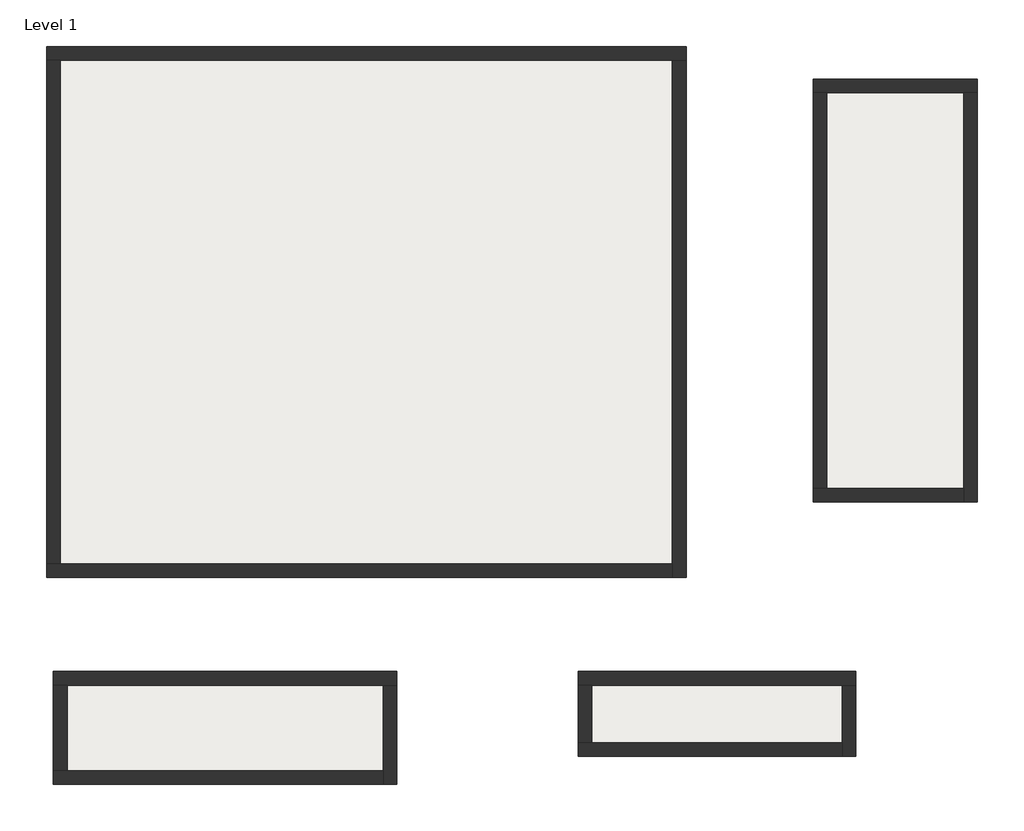
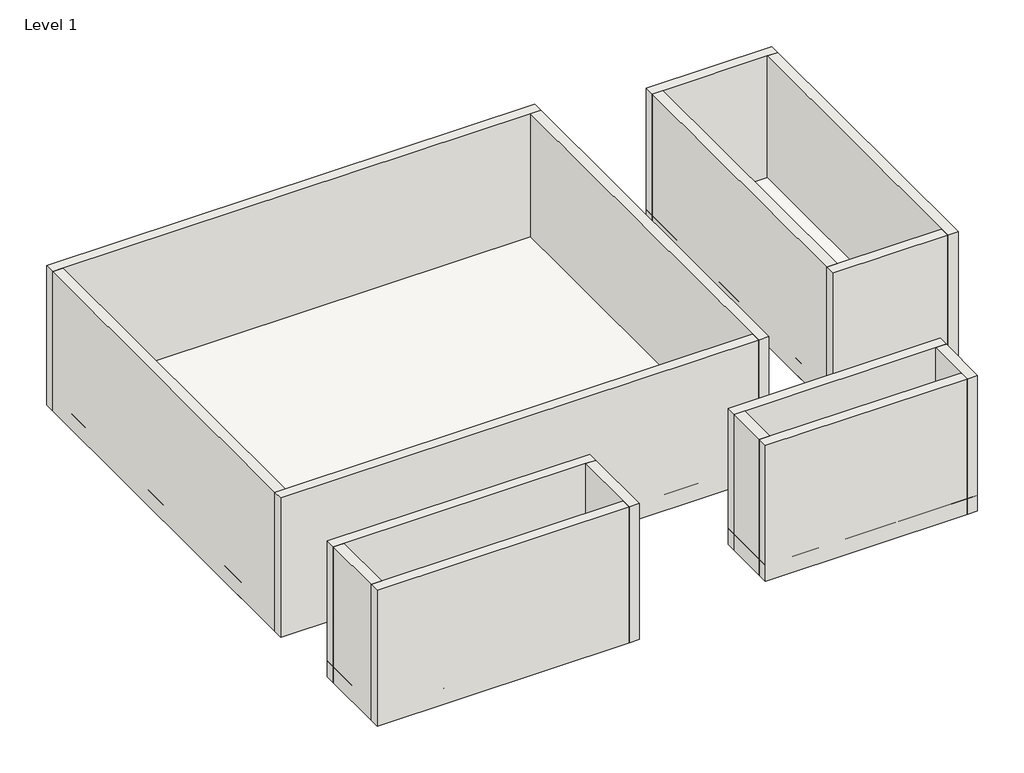
# One storey: 16 walls, 4 slabs.
"""IFC4 building model written with IfcOpenShell, lengths in millimetres."""

from ifc_helpers import new_model, si_unit, frame, origin, place, context, project, spatial, polyline, outline, extrude, faceted_brep, element, save

model = new_model("IFC4")

# Units and contexts
model_context = context("Model", 3, world=origin())
ifc_project = project(units=[si_unit("LENGTHUNIT", "METRE", prefix="MILLI")], contexts=[model_context])

# Site, building, storey
site = spatial("IfcSite", under=ifc_project)
building = spatial("IfcBuilding", under=site)
storey = spatial("IfcBuildingStorey", under=building, Name="Level 1", Elevation=4000.0)

# Slabs
placement = place(None, origin())
element("IfcSlab", 1, ObjectType="Floor-Grnd-Susp_65Scr-80Ins-100Blk-75PC", at=placement, inside=storey, context=model_context, shape_type="SweptSolid", body=[
    extrude(outline(polyline([(-9298.0786109, 6911.844147), (4291.9213891, 6911.844147), (4291.9213891, -4378.155853), (-9298.0786109, -4378.155853), (-9298.0786109, 6911.844147)])), frame((0.0, 0.0, 4000.0), z_axis=(0.0, 0.0, 1.0), x_axis=(1.0, 0.0, 0.0)), (0.0, 0.0, 1.0), 470.0),
])
element("IfcSlab", 2, ObjectType="Floor-Grnd-Susp_65Scr-80Ins-100Blk-75PC", at=placement, inside=storey, context=model_context, shape_type="SweptSolid", body=[
    extrude(outline(polyline([(6993.2871301, 6216.1033554), (10483.2871301, 6216.1033554), (10483.2871301, -2773.8966446), (6993.2871301, -2773.8966446), (6993.2871301, 6216.1033554)])), frame((0.0, 0.0, 4000.0), z_axis=(0.0, 0.0, 1.0), x_axis=(1.0, 0.0, 0.0)), (0.0, 0.0, 1.0), 470.0),
])
element("IfcSlab", 3, ObjectType="Floor-Grnd-Susp_65Scr-80Ins-100Blk-75PC", at=placement, inside=storey, context=model_context, shape_type="SweptSolid", body=[
    extrude(outline(polyline([(-9153.0786109, -6378.155853), (-1853.0786109, -6378.155853), (-1853.0786109, -8778.155853), (-9153.0786109, -8778.155853), (-9153.0786109, -6378.155853)])), frame((0.0, 0.0, 4000.0), z_axis=(0.0, 0.0, 1.0), x_axis=(1.0, 0.0, 0.0)), (0.0, 0.0, 1.0), 470.0),
])
element("IfcSlab", 4, ObjectType="Floor-Grnd-Susp_65Scr-80Ins-100Blk-75PC", at=placement, inside=storey, context=model_context, shape_type="SweptSolid", body=[
    extrude(outline(polyline([(2001.9213891, -6378.155853), (7901.9213891, -6378.155853), (7901.9213891, -8178.155853), (2001.9213891, -8178.155853), (2001.9213891, -6378.155853)])), frame((0.0, 0.0, 4000.0), z_axis=(0.0, 0.0, 1.0), x_axis=(1.0, 0.0, 0.0)), (0.0, 0.0, 1.0), 470.0),
])

# Walls
element("IfcWall", 5, at=placement, inside=storey, context=model_context, shape_type="Brep", body=[
    faceted_brep([(-9298.0786109, 6621.844147, 4000.0), (-9008.0786109, 6621.844147, 4000.0), (4001.9213891, 6621.844147, 4000.0), (4291.9213891, 6621.844147, 4000.0), (4291.9213891, 6621.844147, 8100.0), (4001.9213891, 6621.844147, 8100.0), (-9008.0786109, 6621.844147, 8100.0), (-9298.0786109, 6621.844147, 8100.0), (-9298.0786109, 6911.844147, 4000.0), (-9298.0786109, 6911.844147, 8100.0), (4291.9213891, 6911.844147, 8100.0), (4291.9213891, 6911.844147, 4000.0)], [[[0, 1, 2, 3, 4, 5, 6, 7]], [[8, 9, 10, 11]], [[3, 2, 1, 0, 8, 11]], [[7, 6, 5, 4, 10, 9]], [[4, 3, 11, 10]], [[0, 7, 9, 8]]]),
])
element("IfcWall", 6, at=placement, inside=storey, context=model_context, shape_type="Brep", body=[
    faceted_brep([(4001.9213891, 6621.844147, 4000.0), (4001.9213891, -4088.155853, 4000.0), (4001.9213891, -4378.155853, 4000.0), (4001.9213891, -4378.155853, 8100.0), (4001.9213891, -4088.155853, 8100.0), (4001.9213891, 6621.844147, 8100.0), (4291.9213891, 6621.844147, 4000.0), (4291.9213891, 6621.844147, 8100.0), (4291.9213891, -4378.155853, 8100.0), (4291.9213891, -4378.155853, 4000.0)], [[[0, 1, 2, 3, 4, 5]], [[6, 7, 8, 9]], [[2, 1, 0, 6, 9]], [[5, 4, 3, 8, 7]], [[0, 5, 7, 6]], [[3, 2, 9, 8]]]),
])
element("IfcWall", 7, at=placement, inside=storey, context=model_context, shape_type="Brep", body=[
    faceted_brep([(4001.9213891, -4088.155853, 4000.0), (-9008.0786109, -4088.155853, 4000.0), (-9298.0786109, -4088.155853, 4000.0), (-9298.0786109, -4088.155853, 8100.0), (-9008.0786109, -4088.155853, 8100.0), (4001.9213891, -4088.155853, 8100.0), (4001.9213891, -4378.155853, 4000.0), (4001.9213891, -4378.155853, 8100.0), (-9298.0786109, -4378.155853, 8100.0), (-9298.0786109, -4378.155853, 4000.0)], [[[0, 1, 2, 3, 4, 5]], [[6, 7, 8, 9]], [[2, 1, 0, 6, 9]], [[5, 4, 3, 8, 7]], [[0, 5, 7, 6]], [[3, 2, 9, 8]]]),
])
element("IfcWall", 8, at=placement, inside=storey, context=model_context, shape_type="SweptSolid", body=[
    extrude(outline(polyline([(-9008.0786109, 6621.844147), (-9008.0786109, -4088.155853), (-9298.0786109, -4088.155853), (-9298.0786109, 6621.844147), (-9008.0786109, 6621.844147)])), frame((0.0, 0.0, 4000.0), z_axis=(0.0, 0.0, 1.0), x_axis=(1.0, 0.0, 0.0)), (0.0, 0.0, 1.0), 4100.0),
])
element("IfcWall", 9, at=placement, inside=storey, context=model_context, shape_type="Brep", body=[
    faceted_brep([(6993.2871301, 5926.1033554, 4000.0), (7283.2871301, 5926.1033554, 4000.0), (10193.2871301, 5926.1033554, 4000.0), (10483.2871301, 5926.1033554, 4000.0), (10483.2871301, 5926.1033554, 8050.0), (10193.2871301, 5926.1033554, 8050.0), (7283.2871301, 5926.1033554, 8050.0), (6993.2871301, 5926.1033554, 8050.0), (6993.2871301, 6216.1033554, 4000.0), (6993.2871301, 6216.1033554, 8050.0), (10483.2871301, 6216.1033554, 8050.0), (10483.2871301, 6216.1033554, 4000.0)], [[[0, 1, 2, 3, 4, 5, 6, 7]], [[8, 9, 10, 11]], [[3, 2, 1, 0, 8, 11]], [[7, 6, 5, 4, 10, 9]], [[4, 3, 11, 10]], [[0, 7, 9, 8]]]),
])
element("IfcWall", 10, at=placement, inside=storey, context=model_context, shape_type="Brep", body=[
    faceted_brep([(10193.2871301, 5926.1033554, 4000.0), (10193.2871301, -2483.8966446, 4000.0), (10193.2871301, -2773.8966446, 4000.0), (10193.2871301, -2773.8966446, 8050.0), (10193.2871301, -2483.8966446, 8050.0), (10193.2871301, 5926.1033554, 8050.0), (10483.2871301, 5926.1033554, 4000.0), (10483.2871301, 5926.1033554, 8050.0), (10483.2871301, -2773.8966446, 8050.0), (10483.2871301, -2773.8966446, 4000.0)], [[[0, 1, 2, 3, 4, 5]], [[6, 7, 8, 9]], [[2, 1, 0, 6, 9]], [[5, 4, 3, 8, 7]], [[0, 5, 7, 6]], [[3, 2, 9, 8]]]),
])
element("IfcWall", 11, at=placement, inside=storey, context=model_context, shape_type="Brep", body=[
    faceted_brep([(10193.2871301, -2483.8966446, 4000.0), (7283.2871301, -2483.8966446, 4000.0), (6993.2871301, -2483.8966446, 4000.0), (6993.2871301, -2483.8966446, 8050.0), (7283.2871301, -2483.8966446, 8050.0), (10193.2871301, -2483.8966446, 8050.0), (10193.2871301, -2773.8966446, 4000.0), (10193.2871301, -2773.8966446, 8050.0), (6993.2871301, -2773.8966446, 8050.0), (6993.2871301, -2773.8966446, 4000.0)], [[[0, 1, 2, 3, 4, 5]], [[6, 7, 8, 9]], [[2, 1, 0, 6, 9]], [[5, 4, 3, 8, 7]], [[0, 5, 7, 6]], [[3, 2, 9, 8]]]),
])
element("IfcWall", 12, at=placement, inside=storey, context=model_context, shape_type="SweptSolid", body=[
    extrude(outline(polyline([(7283.2871301, 5926.1033554), (7283.2871301, -2483.8966446), (6993.2871301, -2483.8966446), (6993.2871301, 5926.1033554), (7283.2871301, 5926.1033554)])), frame((0.0, 0.0, 4000.0), z_axis=(0.0, 0.0, 1.0), x_axis=(1.0, 0.0, 0.0)), (0.0, 0.0, 1.0), 4050.0),
])
element("IfcWall", 13, at=placement, inside=storey, context=model_context, shape_type="Brep", body=[
    faceted_brep([(-9153.0786109, -6668.155853, 4000.0), (-8863.0786109, -6668.155853, 4000.0), (-2143.0786109, -6668.155853, 4000.0), (-1853.0786109, -6668.155853, 4000.0), (-1853.0786109, -6668.155853, 8000.0), (-2143.0786109, -6668.155853, 8000.0), (-8863.0786109, -6668.155853, 8000.0), (-9153.0786109, -6668.155853, 8000.0), (-9153.0786109, -6378.155853, 4000.0), (-9153.0786109, -6378.155853, 8000.0), (-1853.0786109, -6378.155853, 8000.0), (-1853.0786109, -6378.155853, 4000.0)], [[[0, 1, 2, 3, 4, 5, 6, 7]], [[8, 9, 10, 11]], [[3, 2, 1, 0, 8, 11]], [[7, 6, 5, 4, 10, 9]], [[4, 3, 11, 10]], [[0, 7, 9, 8]]]),
])
element("IfcWall", 14, at=placement, inside=storey, context=model_context, shape_type="Brep", body=[
    faceted_brep([(-2143.0786109, -6668.155853, 4000.0), (-2143.0786109, -8488.155853, 4000.0), (-2143.0786109, -8778.155853, 4000.0), (-2143.0786109, -8778.155853, 8000.0), (-2143.0786109, -8488.155853, 8000.0), (-2143.0786109, -6668.155853, 8000.0), (-1853.0786109, -6668.155853, 4000.0), (-1853.0786109, -6668.155853, 8000.0), (-1853.0786109, -8778.155853, 8000.0), (-1853.0786109, -8778.155853, 4000.0)], [[[0, 1, 2, 3, 4, 5]], [[6, 7, 8, 9]], [[2, 1, 0, 6, 9]], [[5, 4, 3, 8, 7]], [[0, 5, 7, 6]], [[3, 2, 9, 8]]]),
])
element("IfcWall", 15, at=placement, inside=storey, context=model_context, shape_type="Brep", body=[
    faceted_brep([(-2143.0786109, -8488.155853, 4000.0), (-8863.0786109, -8488.155853, 4000.0), (-9153.0786109, -8488.155853, 4000.0), (-9153.0786109, -8488.155853, 8000.0), (-8863.0786109, -8488.155853, 8000.0), (-2143.0786109, -8488.155853, 8000.0), (-2143.0786109, -8778.155853, 4000.0), (-2143.0786109, -8778.155853, 8000.0), (-9153.0786109, -8778.155853, 8000.0), (-9153.0786109, -8778.155853, 4000.0)], [[[0, 1, 2, 3, 4, 5]], [[6, 7, 8, 9]], [[2, 1, 0, 6, 9]], [[5, 4, 3, 8, 7]], [[0, 5, 7, 6]], [[3, 2, 9, 8]]]),
])
element("IfcWall", 16, at=placement, inside=storey, context=model_context, shape_type="SweptSolid", body=[
    extrude(outline(polyline([(-8863.0786109, -6668.155853), (-8863.0786109, -8488.155853), (-9153.0786109, -8488.155853), (-9153.0786109, -6668.155853), (-8863.0786109, -6668.155853)])), frame((0.0, 0.0, 4000.0), z_axis=(0.0, 0.0, 1.0), x_axis=(1.0, 0.0, 0.0)), (0.0, 0.0, 1.0), 4000.0),
])
element("IfcWall", 17, at=placement, inside=storey, context=model_context, shape_type="Brep", body=[
    faceted_brep([(2001.9213891, -6668.155853, 4000.0), (2291.9213891, -6668.155853, 4000.0), (7611.9213891, -6668.155853, 4000.0), (7901.9213891, -6668.155853, 4000.0), (7901.9213891, -6668.155853, 8000.0), (7611.9213891, -6668.155853, 8000.0), (2291.9213891, -6668.155853, 8000.0), (2001.9213891, -6668.155853, 8000.0), (2001.9213891, -6378.155853, 4000.0), (2001.9213891, -6378.155853, 8000.0), (7901.9213891, -6378.155853, 8000.0), (7901.9213891, -6378.155853, 4000.0)], [[[0, 1, 2, 3, 4, 5, 6, 7]], [[8, 9, 10, 11]], [[3, 2, 1, 0, 8, 11]], [[7, 6, 5, 4, 10, 9]], [[4, 3, 11, 10]], [[0, 7, 9, 8]]]),
])
element("IfcWall", 18, at=placement, inside=storey, context=model_context, shape_type="Brep", body=[
    faceted_brep([(7611.9213891, -6668.155853, 4000.0), (7611.9213891, -7888.155853, 4000.0), (7611.9213891, -8178.155853, 4000.0), (7611.9213891, -8178.155853, 8000.0), (7611.9213891, -7888.155853, 8000.0), (7611.9213891, -6668.155853, 8000.0), (7901.9213891, -6668.155853, 4000.0), (7901.9213891, -6668.155853, 8000.0), (7901.9213891, -8178.155853, 8000.0), (7901.9213891, -8178.155853, 4000.0)], [[[0, 1, 2, 3, 4, 5]], [[6, 7, 8, 9]], [[2, 1, 0, 6, 9]], [[5, 4, 3, 8, 7]], [[0, 5, 7, 6]], [[3, 2, 9, 8]]]),
])
element("IfcWall", 19, at=placement, inside=storey, context=model_context, shape_type="Brep", body=[
    faceted_brep([(7611.9213891, -7888.155853, 4000.0), (2291.9213891, -7888.155853, 4000.0), (2001.9213891, -7888.155853, 4000.0), (2001.9213891, -7888.155853, 8000.0), (2291.9213891, -7888.155853, 8000.0), (7611.9213891, -7888.155853, 8000.0), (7611.9213891, -8178.155853, 4000.0), (7611.9213891, -8178.155853, 8000.0), (2001.9213891, -8178.155853, 8000.0), (2001.9213891, -8178.155853, 4000.0)], [[[0, 1, 2, 3, 4, 5]], [[6, 7, 8, 9]], [[2, 1, 0, 6, 9]], [[5, 4, 3, 8, 7]], [[0, 5, 7, 6]], [[3, 2, 9, 8]]]),
])
element("IfcWall", 20, at=placement, inside=storey, context=model_context, shape_type="SweptSolid", body=[
    extrude(outline(polyline([(2291.9213891, -6668.155853), (2291.9213891, -7888.155853), (2001.9213891, -7888.155853), (2001.9213891, -6668.155853), (2291.9213891, -6668.155853)])), frame((0.0, 0.0, 4000.0), z_axis=(0.0, 0.0, 1.0), x_axis=(1.0, 0.0, 0.0)), (0.0, 0.0, 1.0), 4000.0),
])

save(model, "model.ifc")
